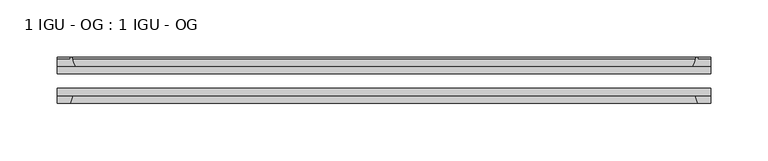
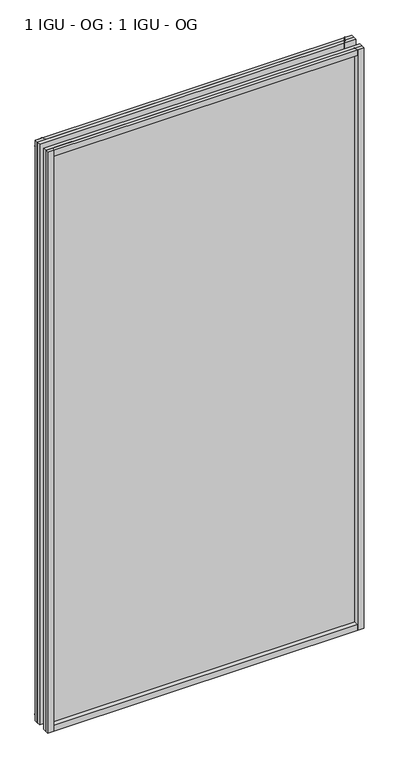
"""IFC4 building model written with IfcOpenShell, lengths in millimetres: plate geometry, 1 IGU - OG : 1 IGU - OG."""

import ifcopenshell
import ifcopenshell.guid

model = None  # the IFC model being written
_history = None  # IfcOwnerHistory: only IFC2X3 demands one
_inside = {}  # id of a spatial element -> (the spatial element, [elements in it])
_under = {}  # id of a project, library or spatial element -> (it, [spatial elements below it])
_declared = {}  # id of a project -> (the project, [libraries it declares])
_typed = {}  # id of a type object -> (the type object, [elements of that type])
_made_of = {}  # id of a material, layer set ... -> (it, [elements and type objects made of it])


def new_model(schema):
    """Start an empty IFC model of exactly this schema.

    Asked for "IFC4X3", IfcOpenShell would pick the latest addendum, in which some entities
    have other attributes; the version numbers below select the first issue.
    IFC2X3 requires an IfcOwnerHistory on every rooted entity: one is made here for all.
    """
    global model, _history
    if schema == "IFC4X3":
        model = ifcopenshell.file(schema_version=(4, 3, 0, 0))
    else:
        model = ifcopenshell.file(schema=schema)
    _inside.clear()
    _under.clear()
    _declared.clear()
    _typed.clear()
    _made_of.clear()
    _history = None
    if model.schema == "IFC2X3":
        org = make("IfcOrganization", Name="unknown")
        user = make(
            "IfcPersonAndOrganization",
            ThePerson=make("IfcPerson", FamilyName="unknown"),
            TheOrganization=org,
        )
        app = make(
            "IfcApplication",
            ApplicationDeveloper=org,
            Version="unknown",
            ApplicationFullName="unknown",
            ApplicationIdentifier="unknown",
        )
        _history = make(
            "IfcOwnerHistory",
            OwningUser=user,
            OwningApplication=app,
            ChangeAction="ADDED",
            CreationDate=0,
        )
    return model


def make(cls, **values):
    """One entity of the class cls with the attributes given. An attribute that is None is left unset."""
    return model.create_entity(
        cls, **{name: value for name, value in values.items() if value is not None}
    )


def rooted(cls, **values):
    """An entity with a GlobalId (a new one), such as an element, a storey or a relation."""
    return make(cls, GlobalId=ifcopenshell.guid.new(), OwnerHistory=_history, **values)


def si_unit(unit_type, name, prefix=None):
    """IfcSIUnit, for example si_unit("LENGTHUNIT", "METRE", prefix="MILLI")."""
    return make("IfcSIUnit", UnitType=unit_type, Prefix=prefix, Name=name)


def assignment(units):
    """IfcUnitAssignment: the units of a project."""
    return None if units is None else make("IfcUnitAssignment", Units=units)


def point(xyz):
    """IfcCartesianPoint."""
    return None if xyz is None else make("IfcCartesianPoint", Coordinates=xyz)


def direction(xyz):
    """IfcDirection."""
    return None if xyz is None else make("IfcDirection", DirectionRatios=xyz)


def frame(location, z_axis=None, x_axis=None):
    """IfcAxis2Placement3D, a coordinate frame: its origin and axes. An axis left out is left unset."""
    return make(
        "IfcAxis2Placement3D",
        Location=point(location),
        Axis=direction(z_axis),
        RefDirection=direction(x_axis),
    )


def frame_2d(location, x_axis=None):
    """IfcAxis2Placement2D, a coordinate frame in the plane: its origin and x axis."""
    return make(
        "IfcAxis2Placement2D", Location=point(location), RefDirection=direction(x_axis)
    )


def origin():
    """The frame at (0, 0, 0) with its axes left unset."""
    return frame((0.0, 0.0, 0.0))


def place(relative_to, where):
    """IfcLocalPlacement: puts the frame where relative to a parent placement (None: the world)."""
    return make(
        "IfcLocalPlacement", PlacementRelTo=relative_to, RelativePlacement=where
    )


def context(
    kind, dimensions, precision=None, world=None, true_north=None, identifier=None
):
    """IfcGeometricRepresentationContext, for example the 3D "Model" context."""
    return make(
        "IfcGeometricRepresentationContext",
        ContextIdentifier=identifier,
        ContextType=kind,
        CoordinateSpaceDimension=dimensions,
        Precision=precision,
        WorldCoordinateSystem=world,
        TrueNorth=true_north,
    )


def project(units=None, contexts=None):
    """IfcProject with its units and contexts."""
    return rooted(
        "IfcProject",
        Name="project",
        RepresentationContexts=contexts,
        UnitsInContext=assignment(units),
    )


def spatial(cls, under=None, at=None, **own):
    """A site, building, storey or space (cls), placed at a placement, below another one or the project."""
    s = rooted(cls, ObjectPlacement=at, **own)
    if under is not None:
        _under.setdefault(under.id(), (under, []))[1].append(s)
    return s


def polyline(points):
    """IfcPolyline through the points."""
    return make("IfcPolyline", Points=[point(p) for p in points])


def circle_curve(where, radius):
    """IfcCircle in the frame where."""
    return make("IfcCircle", Position=where, Radius=radius)


def trimmed(basis, trim1, trim2, sense, master):
    """IfcTrimmedCurve: the piece of a basis curve between two trims."""
    return make(
        "IfcTrimmedCurve",
        BasisCurve=basis,
        Trim1=trim1,
        Trim2=trim2,
        SenseAgreement=sense,
        MasterRepresentation=master,
    )


def segment(curve, same_sense, transition):
    """IfcCompositeCurveSegment."""
    return make(
        "IfcCompositeCurveSegment",
        Transition=transition,
        SameSense=same_sense,
        ParentCurve=curve,
    )


def composite_curve(segments, self_intersect=None):
    """IfcCompositeCurve: segments joined end to end."""
    return make("IfcCompositeCurve", Segments=segments, SelfIntersect=self_intersect)


def outline(outer, holes=None, kind="AREA"):
    """IfcArbitraryClosedProfileDef: a profile drawn as a closed curve; with holes, ...WithVoids."""
    if holes is None:
        return make("IfcArbitraryClosedProfileDef", ProfileType=kind, OuterCurve=outer)
    return make(
        "IfcArbitraryProfileDefWithVoids",
        ProfileType=kind,
        OuterCurve=outer,
        InnerCurves=holes,
    )


def extrude(swept, where, along, depth):
    """IfcExtrudedAreaSolid: the profile swept, set in the frame where, extruded along a direction by depth."""
    return make(
        "IfcExtrudedAreaSolid",
        SweptArea=swept,
        Position=where,
        ExtrudedDirection=direction(along),
        Depth=depth,
    )


def shape(context_of_items, identifier, shape_type, items):
    """IfcShapeRepresentation: the items that make up one representation, for example the "Body"."""
    return make(
        "IfcShapeRepresentation",
        ContextOfItems=context_of_items,
        RepresentationIdentifier=identifier,
        RepresentationType=shape_type,
        Items=items,
    )


def source(mapping_origin, context_of_items, identifier, shape_type, items):
    """IfcRepresentationMap: a shape defined once, which mapped items show again and again."""
    return make(
        "IfcRepresentationMap",
        MappingOrigin=mapping_origin,
        MappedRepresentation=shape(context_of_items, identifier, shape_type, items),
    )


def transform(
    local_origin,
    x_axis=None,
    y_axis=None,
    z_axis=None,
    scale=None,
    scale2=None,
    scale3=None,
    uniform=True,
):
    """IfcCartesianTransformationOperator3D, or its non-uniform kind. x_axis, y_axis, z_axis: its Axis1, 2, 3."""
    if uniform:
        return make(
            "IfcCartesianTransformationOperator3D",
            Axis1=direction(x_axis),
            Axis2=direction(y_axis),
            LocalOrigin=point(local_origin),
            Scale=scale,
            Axis3=direction(z_axis),
        )
    return make(
        "IfcCartesianTransformationOperator3DnonUniform",
        Axis1=direction(x_axis),
        Axis2=direction(y_axis),
        LocalOrigin=point(local_origin),
        Scale=scale,
        Axis3=direction(z_axis),
        Scale2=scale2,
        Scale3=scale3,
    )


def mapped(mapping_source, mapping_target):
    """IfcMappedItem: shows the shape of a source again, moved by a transform."""
    return make(
        "IfcMappedItem", MappingSource=mapping_source, MappingTarget=mapping_target
    )


def made_of(thing, what):
    """Note that an element or type object is made of a material, layer set ...; save() writes the relation."""
    if what is not None:
        _made_of.setdefault(what.id(), (what, []))[1].append(thing)
    return thing


def element(
    cls,
    number,
    at=None,
    inside=None,
    cuts=None,
    type_object=None,
    material=None,
    context=None,
    identifier="Body",
    shape_type=None,
    held_by="IfcProductDefinitionShape",
    body=None,
    shapes=None,
    **own,
):
    """One element of the class cls, such as IfcWall. Its Tag is "e" and its number.

    at: its placement. inside: the storey or other place that contains it. cuts: it is an
    opening in that element (IfcRelVoidsElement). A single representation is given by context,
    identifier, shape_type and body (its items); several are given by shapes. held_by: the class
    of the entity that holds the representations. save() writes the other relations.
    """
    e = rooted(cls, Tag="e%d" % number, ObjectPlacement=at, **own)
    if body is not None:
        shapes = [shape(context, identifier, shape_type, body)]
    if shapes is not None:
        e.Representation = make(held_by, Representations=shapes)
    if inside is not None:
        _inside.setdefault(inside.id(), (inside, []))[1].append(e)
    if cuts is not None:
        rooted(
            "IfcRelVoidsElement", RelatingBuildingElement=cuts, RelatedOpeningElement=e
        )
    if type_object is not None:
        _typed.setdefault(type_object.id(), (type_object, []))[1].append(e)
    return made_of(e, material)


def aggregate(whole, parts):
    """IfcRelAggregates: a whole, such as a stair, and the parts it consists of."""
    return rooted("IfcRelAggregates", RelatingObject=whole, RelatedObjects=parts)


def save(model, path):
    """Write the relations noted so far, then the file.

    IfcRelAggregates (storeys below a building ...), IfcRelContainedInSpatialStructure (elements
    in a storey), IfcRelDefinesByType, IfcRelAssociatesMaterial and IfcRelDeclares: one each for
    every whole, place, type object, material and project.
    """
    for whole, parts in _under.values():
        aggregate(whole, parts)
    for where, things in _inside.values():
        rooted(
            "IfcRelContainedInSpatialStructure",
            RelatedElements=things,
            RelatingStructure=where,
        )
    for kind, things in _typed.values():
        rooted("IfcRelDefinesByType", RelatedObjects=things, RelatingType=kind)
    for what, things in _made_of.values():
        rooted("IfcRelAssociatesMaterial", RelatedObjects=things, RelatingMaterial=what)
    for by, libraries in _declared.values():
        rooted("IfcRelDeclares", RelatingContext=by, RelatedDefinitions=libraries)
    model.write(path)


def plate_1_igu_og_1_igu_og_cc9d252a(model_context):
    return source(origin(), model_context, "Body", "SweptSolid", [
        extrude(outline(polyline([(284.1625, -31.75), (284.1625, -38.1), (-284.1625, -38.1), (-284.1625, -31.75), (284.1625, -31.75)])), frame((0.0, 0.0, -11.1125), z_axis=(0.0, 0.0, 1.0), x_axis=(1.0, 0.0, 0.0)), (0.0, 0.0, 1.0), 1101.725),
        extrude(outline(polyline([(-284.1625, -12.7), (284.1625, -12.7), (284.1625, -19.05), (-284.1625, -19.05), (-284.1625, -12.7)])), frame((0.0, 0.0, -11.1125), z_axis=(0.0, 0.0, 1.0), x_axis=(1.0, 0.0, 0.0)), (0.0, 0.0, 1.0), 1101.725),
        extrude(outline(composite_curve([segment(polyline([(-268.8267091, -12.7), (-284.1625, -12.7), (-284.1625, -6.35), (-273.05, -6.35), (-273.05, -4.7751661), (-272.120586, -4.7751661)]), True, "CONTINUOUS"), segment(trimmed(circle_curve(frame_2d((-272.120586, -5.5371661)), 0.762), [point((-272.120586, -4.7751661))], [point((-271.3783761, -5.364631))], False, "CARTESIAN"), True, "CONTINUOUS"), segment(trimmed(circle_curve(frame_2d((-235.7491579, 2.9177851)), 36.5792237), [point((-271.3783761, -5.364631))], [point((-268.8267091, -12.7))], True, "CARTESIAN"), True, "CONTINUOUS")], self_intersect=False)), frame((0.0, 0.0, -11.1125), z_axis=(0.0, 0.0, 1.0), x_axis=(1.0, 0.0, 0.0)), (0.0, 0.0, 1.0), 1101.725),
        extrude(outline(polyline([(-284.1625, -38.1), (-270.9447229, -38.1), (-273.05, -44.45), (-284.1625, -44.45), (-284.1625, -38.1)])), frame((0.0, 0.0, -11.1125), z_axis=(0.0, 0.0, 1.0), x_axis=(1.0, 0.0, 0.0)), (0.0, 0.0, 1.0), 1101.725),
        extrude(outline(composite_curve([segment(trimmed(circle_curve(frame_2d((272.120586, -5.5371661)), 0.762), [point((271.3783761, -5.364631))], [point((272.120586, -4.7751661))], False, "CARTESIAN"), True, "CONTINUOUS"), segment(polyline([(272.120586, -4.7751661), (273.05, -4.7751661), (273.05, -6.35), (284.1625, -6.35), (284.1625, -12.7), (268.8267091, -12.7)]), True, "CONTINUOUS"), segment(trimmed(circle_curve(frame_2d((235.7491579, 2.9177851)), 36.5792237), [point((268.8267091, -12.7))], [point((271.3783761, -5.364631))], True, "CARTESIAN"), True, "CONTINUOUS")], self_intersect=False)), frame((0.0, 0.0, -11.1125), z_axis=(0.0, 0.0, 1.0), x_axis=(1.0, 0.0, 0.0)), (0.0, 0.0, 1.0), 1101.725),
        extrude(outline(polyline([(270.9447229, -38.1), (284.1625, -38.1), (284.1625, -44.45), (273.05, -44.45), (270.9447229, -38.1)])), frame((0.0, 0.0, -11.1125), z_axis=(0.0, 0.0, 1.0), x_axis=(1.0, 0.0, 0.0)), (0.0, 0.0, 1.0), 1101.725),
        extrude(outline(composite_curve([segment(polyline([(-12.7, -11.1125), (-12.7, 4.2232909)]), True, "CONTINUOUS"), segment(trimmed(circle_curve(frame_2d((2.9177851, 37.3008421)), 36.5792237), [point((-12.7, 4.2232909))], [point((-5.364631, 1.6716239))], True, "CARTESIAN"), True, "CONTINUOUS"), segment(trimmed(circle_curve(frame_2d((-5.5371661, 0.929414)), 0.762), [point((-5.364631, 1.6716239))], [point((-4.7751661, 0.929414))], False, "CARTESIAN"), True, "CONTINUOUS"), segment(polyline([(-4.7751661, 0.929414), (-4.7751661, 0.0), (-6.35, 0.0), (-6.35, -11.1125), (-12.7, -11.1125)]), True, "CONTINUOUS")], self_intersect=False)), frame((-284.1625, 0.0, 0.0), z_axis=(1.0, 0.0, 0.0), x_axis=(0.0, 1.0, 0.0)), (0.0, 0.0, 1.0), 568.325),
        extrude(outline(polyline([(-38.1, 2.1052771), (-38.1, -11.1125), (-44.45, -11.1125), (-44.45, 0.0), (-38.1, 2.1052771)])), frame((-284.1625, 0.0, 0.0), z_axis=(1.0, 0.0, 0.0), x_axis=(0.0, 1.0, 0.0)), (0.0, 0.0, 1.0), 568.325),
        extrude(outline(composite_curve([segment(trimmed(circle_curve(frame_2d((2.9177851, 1042.1991578)), 36.5792237), [point((-5.364631, 1077.8283761))], [point((-12.7, 1075.2767091))], True, "CARTESIAN"), True, "CONTINUOUS"), segment(polyline([(-12.7, 1075.2767091), (-12.7, 1090.6125), (-6.35, 1090.6125), (-6.35, 1079.5), (-4.7751661, 1079.5), (-4.7751661, 1078.570586)]), True, "CONTINUOUS"), segment(trimmed(circle_curve(frame_2d((-5.5371661, 1078.570586)), 0.762), [point((-4.7751661, 1078.570586))], [point((-5.364631, 1077.8283761))], False, "CARTESIAN"), True, "CONTINUOUS")], self_intersect=False)), frame((-284.1625, 0.0, 0.0), z_axis=(1.0, 0.0, 0.0), x_axis=(0.0, 1.0, 0.0)), (0.0, 0.0, 1.0), 568.325),
        extrude(outline(polyline([(-38.1, 1090.6125), (-38.1, 1077.3947229), (-44.45, 1079.5), (-44.45, 1090.6125), (-38.1, 1090.6125)])), frame((-284.1625, 0.0, 0.0), z_axis=(1.0, 0.0, 0.0), x_axis=(0.0, 1.0, 0.0)), (0.0, 0.0, 1.0), 568.325),
    ])


if __name__ == "__main__":
    model = new_model("IFC4")
    model_context = context("Model", 3, world=origin())
    ifc_project = project(units=[si_unit("LENGTHUNIT", "METRE", prefix="MILLI")], contexts=[model_context])
    site = spatial("IfcSite", under=ifc_project)
    building = spatial("IfcBuilding", under=site)
    placement = place(None, origin())
    plate_1_igu_og_1_igu_og_shape = plate_1_igu_og_1_igu_og_cc9d252a(model_context)
    element("IfcPlate", 1, ObjectType="1 IGU - OG : 1 IGU - OG", at=placement, inside=building, context=model_context, shape_type="MappedRepresentation", body=[
        mapped(plate_1_igu_og_1_igu_og_shape, transform((0.0, 0.0, 0.0), x_axis=(1.0, 0.0, 0.0), y_axis=(0.0, 1.0, 0.0), z_axis=(0.0, 0.0, 1.0))),
    ])
    save(model, "model.ifc")
